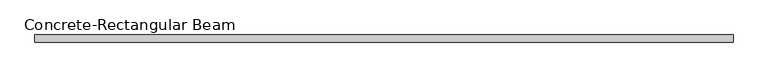
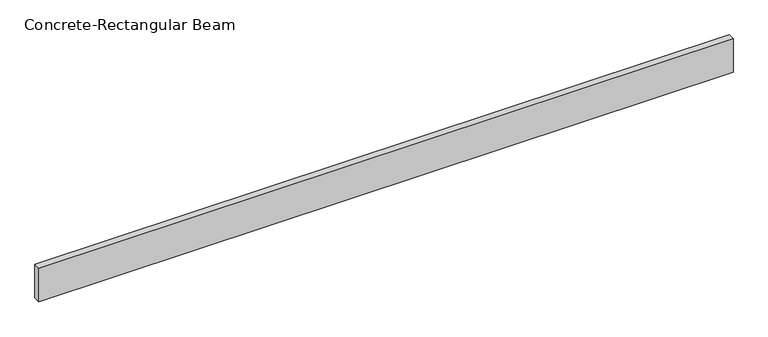
"""IFC4 building model written with IfcOpenShell, lengths in millimetres: beam geometry, Concrete-Rectangular Beam."""

import ifcopenshell
import ifcopenshell.guid

model = None  # the IFC model being written
_history = None  # IfcOwnerHistory: only IFC2X3 demands one
_inside = {}  # id of a spatial element -> (the spatial element, [elements in it])
_under = {}  # id of a project, library or spatial element -> (it, [spatial elements below it])
_declared = {}  # id of a project -> (the project, [libraries it declares])
_typed = {}  # id of a type object -> (the type object, [elements of that type])
_made_of = {}  # id of a material, layer set ... -> (it, [elements and type objects made of it])


def new_model(schema):
    """Start an empty IFC model of exactly this schema.

    Asked for "IFC4X3", IfcOpenShell would pick the latest addendum, in which some entities
    have other attributes; the version numbers below select the first issue.
    IFC2X3 requires an IfcOwnerHistory on every rooted entity: one is made here for all.
    """
    global model, _history
    if schema == "IFC4X3":
        model = ifcopenshell.file(schema_version=(4, 3, 0, 0))
    else:
        model = ifcopenshell.file(schema=schema)
    _inside.clear()
    _under.clear()
    _declared.clear()
    _typed.clear()
    _made_of.clear()
    _history = None
    if model.schema == "IFC2X3":
        org = make("IfcOrganization", Name="unknown")
        user = make(
            "IfcPersonAndOrganization",
            ThePerson=make("IfcPerson", FamilyName="unknown"),
            TheOrganization=org,
        )
        app = make(
            "IfcApplication",
            ApplicationDeveloper=org,
            Version="unknown",
            ApplicationFullName="unknown",
            ApplicationIdentifier="unknown",
        )
        _history = make(
            "IfcOwnerHistory",
            OwningUser=user,
            OwningApplication=app,
            ChangeAction="ADDED",
            CreationDate=0,
        )
    return model


def make(cls, **values):
    """One entity of the class cls with the attributes given. An attribute that is None is left unset."""
    return model.create_entity(
        cls, **{name: value for name, value in values.items() if value is not None}
    )


def rooted(cls, **values):
    """An entity with a GlobalId (a new one), such as an element, a storey or a relation."""
    return make(cls, GlobalId=ifcopenshell.guid.new(), OwnerHistory=_history, **values)


def si_unit(unit_type, name, prefix=None):
    """IfcSIUnit, for example si_unit("LENGTHUNIT", "METRE", prefix="MILLI")."""
    return make("IfcSIUnit", UnitType=unit_type, Prefix=prefix, Name=name)


def assignment(units):
    """IfcUnitAssignment: the units of a project."""
    return None if units is None else make("IfcUnitAssignment", Units=units)


def point(xyz):
    """IfcCartesianPoint."""
    return None if xyz is None else make("IfcCartesianPoint", Coordinates=xyz)


def direction(xyz):
    """IfcDirection."""
    return None if xyz is None else make("IfcDirection", DirectionRatios=xyz)


def frame(location, z_axis=None, x_axis=None):
    """IfcAxis2Placement3D, a coordinate frame: its origin and axes. An axis left out is left unset."""
    return make(
        "IfcAxis2Placement3D",
        Location=point(location),
        Axis=direction(z_axis),
        RefDirection=direction(x_axis),
    )


def origin():
    """The frame at (0, 0, 0) with its axes left unset."""
    return frame((0.0, 0.0, 0.0))


def place(relative_to, where):
    """IfcLocalPlacement: puts the frame where relative to a parent placement (None: the world)."""
    return make(
        "IfcLocalPlacement", PlacementRelTo=relative_to, RelativePlacement=where
    )


def context(
    kind, dimensions, precision=None, world=None, true_north=None, identifier=None
):
    """IfcGeometricRepresentationContext, for example the 3D "Model" context."""
    return make(
        "IfcGeometricRepresentationContext",
        ContextIdentifier=identifier,
        ContextType=kind,
        CoordinateSpaceDimension=dimensions,
        Precision=precision,
        WorldCoordinateSystem=world,
        TrueNorth=true_north,
    )


def project(units=None, contexts=None):
    """IfcProject with its units and contexts."""
    return rooted(
        "IfcProject",
        Name="project",
        RepresentationContexts=contexts,
        UnitsInContext=assignment(units),
    )


def spatial(cls, under=None, at=None, **own):
    """A site, building, storey or space (cls), placed at a placement, below another one or the project."""
    s = rooted(cls, ObjectPlacement=at, **own)
    if under is not None:
        _under.setdefault(under.id(), (under, []))[1].append(s)
    return s


def polyline(points):
    """IfcPolyline through the points."""
    return make("IfcPolyline", Points=[point(p) for p in points])


def outline(outer, holes=None, kind="AREA"):
    """IfcArbitraryClosedProfileDef: a profile drawn as a closed curve; with holes, ...WithVoids."""
    if holes is None:
        return make("IfcArbitraryClosedProfileDef", ProfileType=kind, OuterCurve=outer)
    return make(
        "IfcArbitraryProfileDefWithVoids",
        ProfileType=kind,
        OuterCurve=outer,
        InnerCurves=holes,
    )


def extrude(swept, where, along, depth):
    """IfcExtrudedAreaSolid: the profile swept, set in the frame where, extruded along a direction by depth."""
    return make(
        "IfcExtrudedAreaSolid",
        SweptArea=swept,
        Position=where,
        ExtrudedDirection=direction(along),
        Depth=depth,
    )


def shape(context_of_items, identifier, shape_type, items):
    """IfcShapeRepresentation: the items that make up one representation, for example the "Body"."""
    return make(
        "IfcShapeRepresentation",
        ContextOfItems=context_of_items,
        RepresentationIdentifier=identifier,
        RepresentationType=shape_type,
        Items=items,
    )


def source(mapping_origin, context_of_items, identifier, shape_type, items):
    """IfcRepresentationMap: a shape defined once, which mapped items show again and again."""
    return make(
        "IfcRepresentationMap",
        MappingOrigin=mapping_origin,
        MappedRepresentation=shape(context_of_items, identifier, shape_type, items),
    )


def transform(
    local_origin,
    x_axis=None,
    y_axis=None,
    z_axis=None,
    scale=None,
    scale2=None,
    scale3=None,
    uniform=True,
):
    """IfcCartesianTransformationOperator3D, or its non-uniform kind. x_axis, y_axis, z_axis: its Axis1, 2, 3."""
    if uniform:
        return make(
            "IfcCartesianTransformationOperator3D",
            Axis1=direction(x_axis),
            Axis2=direction(y_axis),
            LocalOrigin=point(local_origin),
            Scale=scale,
            Axis3=direction(z_axis),
        )
    return make(
        "IfcCartesianTransformationOperator3DnonUniform",
        Axis1=direction(x_axis),
        Axis2=direction(y_axis),
        LocalOrigin=point(local_origin),
        Scale=scale,
        Axis3=direction(z_axis),
        Scale2=scale2,
        Scale3=scale3,
    )


def mapped(mapping_source, mapping_target):
    """IfcMappedItem: shows the shape of a source again, moved by a transform."""
    return make(
        "IfcMappedItem", MappingSource=mapping_source, MappingTarget=mapping_target
    )


def made_of(thing, what):
    """Note that an element or type object is made of a material, layer set ...; save() writes the relation."""
    if what is not None:
        _made_of.setdefault(what.id(), (what, []))[1].append(thing)
    return thing


def element(
    cls,
    number,
    at=None,
    inside=None,
    cuts=None,
    type_object=None,
    material=None,
    context=None,
    identifier="Body",
    shape_type=None,
    held_by="IfcProductDefinitionShape",
    body=None,
    shapes=None,
    **own,
):
    """One element of the class cls, such as IfcWall. Its Tag is "e" and its number.

    at: its placement. inside: the storey or other place that contains it. cuts: it is an
    opening in that element (IfcRelVoidsElement). A single representation is given by context,
    identifier, shape_type and body (its items); several are given by shapes. held_by: the class
    of the entity that holds the representations. save() writes the other relations.
    """
    e = rooted(cls, Tag="e%d" % number, ObjectPlacement=at, **own)
    if body is not None:
        shapes = [shape(context, identifier, shape_type, body)]
    if shapes is not None:
        e.Representation = make(held_by, Representations=shapes)
    if inside is not None:
        _inside.setdefault(inside.id(), (inside, []))[1].append(e)
    if cuts is not None:
        rooted(
            "IfcRelVoidsElement", RelatingBuildingElement=cuts, RelatedOpeningElement=e
        )
    if type_object is not None:
        _typed.setdefault(type_object.id(), (type_object, []))[1].append(e)
    return made_of(e, material)


def aggregate(whole, parts):
    """IfcRelAggregates: a whole, such as a stair, and the parts it consists of."""
    return rooted("IfcRelAggregates", RelatingObject=whole, RelatedObjects=parts)


def save(model, path):
    """Write the relations noted so far, then the file.

    IfcRelAggregates (storeys below a building ...), IfcRelContainedInSpatialStructure (elements
    in a storey), IfcRelDefinesByType, IfcRelAssociatesMaterial and IfcRelDeclares: one each for
    every whole, place, type object, material and project.
    """
    for whole, parts in _under.values():
        aggregate(whole, parts)
    for where, things in _inside.values():
        rooted(
            "IfcRelContainedInSpatialStructure",
            RelatedElements=things,
            RelatingStructure=where,
        )
    for kind, things in _typed.values():
        rooted("IfcRelDefinesByType", RelatedObjects=things, RelatingType=kind)
    for what, things in _made_of.values():
        rooted("IfcRelAssociatesMaterial", RelatedObjects=things, RelatingMaterial=what)
    for by, libraries in _declared.values():
        rooted("IfcRelDeclares", RelatingContext=by, RelatedDefinitions=libraries)
    model.write(path)


def concrete_rectangular_beam_da7fb547(model_context):
    return source(origin(), model_context, "Body", "SweptSolid", [
        extrude(outline(polyline([(2450.0, 25.0), (2450.0, -25.0), (-2450.0, -25.0), (-2450.0, 25.0), (2450.0, 25.0)])), frame((0.0, 0.0, -125.0), z_axis=(0.0, 0.0, 1.0), x_axis=(1.0, 0.0, 0.0)), (0.0, 0.0, 1.0), 250.0),
    ])


if __name__ == "__main__":
    model = new_model("IFC4")
    model_context = context("Model", 3, world=origin())
    ifc_project = project(units=[si_unit("LENGTHUNIT", "METRE", prefix="MILLI")], contexts=[model_context])
    site = spatial("IfcSite", under=ifc_project)
    building = spatial("IfcBuilding", under=site)
    placement = place(None, origin())
    concrete_rectangular_beam_shape = concrete_rectangular_beam_da7fb547(model_context)
    element("IfcBeam", 1, ObjectType="Concrete-Rectangular Beam", at=placement, inside=building, context=model_context, shape_type="MappedRepresentation", body=[
        mapped(concrete_rectangular_beam_shape, transform((0.0, 0.0, 0.0), x_axis=(1.0, 0.0, 0.0), y_axis=(0.0, 1.0, 0.0), z_axis=(0.0, 0.0, 1.0))),
    ])
    save(model, "model.ifc")
